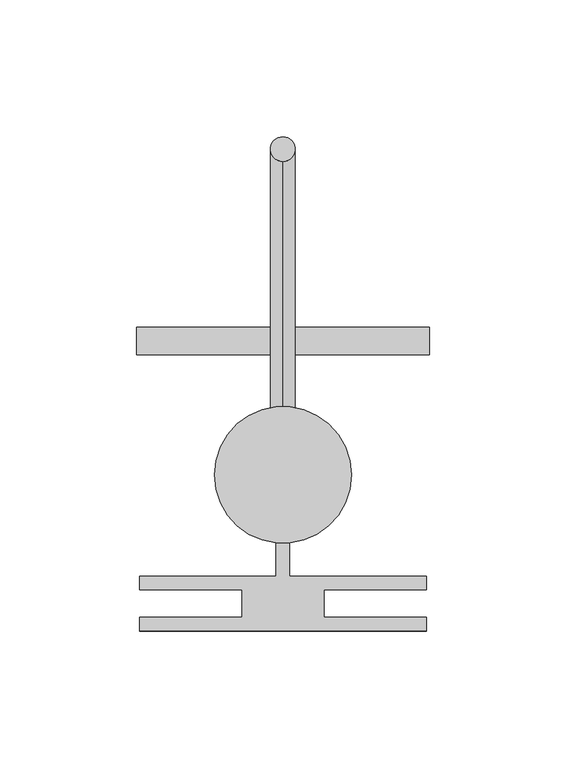
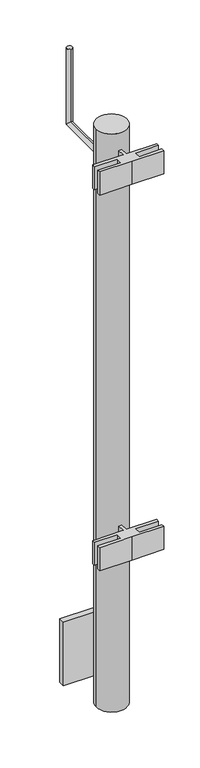
"""IFC4 building model written with IfcOpenShell, lengths in millimetres: proxy geometry."""

from ifc_helpers import new_model, si_unit, point, frame, frame_2d, origin, place, context, project, spatial, polyline, circle_curve, ellipse_curve, trimmed, segment, composite_curve, outline, extrude, source, transform, mapped, element, save
from ifc_brep_helpers import plane_surface, cylinder_surface, advanced_brep


def building_element_proxy_f4cb23bf(model_context):
    return source(origin(), model_context, "Body", "SolidModel", [
        extrude(outline(polyline([(2.4460267, -90.9794473), (52.4327977, -90.9794473), (52.4327977, -95.9794473), (15.0, -95.9794473), (15.0, -105.9794473), (52.4327977, -105.9794473), (52.4327977, -110.9794473), (0.0, -110.9794473), (-52.4327977, -110.9794473), (-52.4327977, -105.9794473), (-15.0, -105.9794473), (-15.0, -95.9794473), (-52.4327977, -95.9794473), (-52.4327977, -90.9794473), (-2.4460267, -90.9794473), (-2.4460267, -78.0), (2.4460267, -78.0), (2.4460267, -90.9794473)])), frame((0.0, 0.0, -130.0), z_axis=(0.0, 0.0, 1.0), x_axis=(1.0, 0.0, 0.0)), (0.0, 0.0, 1.0), 40.0),
        extrude(outline(polyline([(2.4460267, -90.9794473), (52.4327977, -90.9794473), (52.4327977, -95.9794473), (15.0, -95.9794473), (15.0, -105.9794473), (52.4327977, -105.9794473), (52.4327977, -110.9794473), (0.0, -110.9794473), (-52.4327977, -110.9794473), (-52.4327977, -105.9794473), (-15.0, -105.9794473), (-15.0, -95.9794473), (-52.4327977, -95.9794473), (-52.4327977, -90.9794473), (-2.4460267, -90.9794473), (-2.4460267, -78.0), (2.4460267, -78.0), (2.4460267, -90.9794473)])), frame((0.0, 0.0, -780.0), z_axis=(0.0, 0.0, 1.0), x_axis=(1.0, 0.0, 0.0)), (0.0, 0.0, 1.0), 40.0),
        advanced_brep(
        [(0.0, -30.0, -134.9236969), (0.0, -30.0, -125.8825628), (0.0, 69.5205671, -134.9236969), (0.0, 60.4794329, -125.8825628), (0.0, 69.5205671, 0.0), (0.0, 60.4794329, 0.0)],
        [
            (0, 1, circle_curve(frame((0.0, -30.0, -130.4031299), z_axis=(0.0, -1.0, 0.0), x_axis=(0.0, 0.0, 1.0)), 4.5205671)),
            (1, 0, circle_curve(frame((0.0, -30.0, -130.4031299), z_axis=(0.0, -1.0, 0.0), x_axis=(0.0, 0.0, 1.0)), 4.5205671)),
            (0, 2),
            (2, 3, ellipse_curve(frame((0.0, 65.0, -130.4031299), z_axis=(0.0, -0.7071067811865475, -0.7071067811865475), x_axis=(0.0, -0.7071067811865476, 0.7071067811865474)), 6.3930473, 4.5205671)),
            (3, 1),
            (3, 2, ellipse_curve(frame((0.0, 65.0, -130.4031299), z_axis=(0.0, -0.7071067811865475, -0.7071067811865475), x_axis=(0.0, -0.7071067811865476, 0.7071067811865474)), 6.3930473, 4.5205671)),
            (4, 5, circle_curve(frame((0.0, 65.0, 0.0), z_axis=(0.0, 0.0, 1.0), x_axis=(0.0, -1.0, 0.0)), 4.5205671)),
            (5, 4, circle_curve(frame((0.0, 65.0, 0.0), z_axis=(0.0, 0.0, 1.0), x_axis=(0.0, -1.0, 0.0)), 4.5205671)),
            (2, 4),
            (5, 3),
        ],
        [
            plane_surface(frame((0.0, -30.0, -130.4031299), z_axis=(0.0, -1.0, 0.0), x_axis=(1.0, 0.0, 0.0))),
            cylinder_surface(frame((0.0, -30.0, -130.4031299), z_axis=(0.0, -1.0, 0.0), x_axis=(0.0, 0.0, 1.0)), 4.5205671),
            plane_surface(frame((0.0, 65.0, 0.0), z_axis=(0.0, 0.0, 1.0), x_axis=(1.0, 0.0, 0.0))),
            cylinder_surface(frame((0.0, 65.0, -130.4031299), z_axis=(0.0, 0.0, -1.0), x_axis=(0.0, -1.0, 0.0)), 4.5205671),
        ],
        [
            (0, [[1, 2]]),
            (1, [[-1, 3, 4, 5]]),
            (1, [[-2, -5, 6, -3]]),
            (2, [[7, 8]]),
            (3, [[-4, 9, -8, 10]]),
            (3, [[-6, -10, -7, -9]]),
        ],
    ),
        extrude(outline(composite_curve([segment(trimmed(circle_curve(frame_2d((0.0, -54.0)), 25.0), [point((-25.0, -54.0))], [point((25.0, -54.0))], False, "CARTESIAN"), True, "CONTINUOUS"), segment(trimmed(circle_curve(frame_2d((0.0, -54.0)), 25.0), [point((25.0, -54.0))], [point((-25.0, -54.0))], False, "CARTESIAN"), True, "CONTINUOUS")], self_intersect=False)), frame((0.0, 0.0, -1060.0), z_axis=(0.0, 0.0, 1.0), x_axis=(1.0, 0.0, 0.0)), (0.0, 0.0, 1.0), 1000.0),
        extrude(outline(polyline([(3.4956361, -30.0), (-3.4956361, -30.0), (-3.4956361, -10.0), (3.4956361, -10.0), (3.4956361, -30.0)])), frame((0.0, 0.0, -1020.3217206), z_axis=(0.0, 0.0, 1.0), x_axis=(1.0, 0.0, 0.0)), (0.0, 0.0, 1.0), 64.8689383),
        extrude(outline(polyline([(53.4956361, -10.0), (-53.4956361, -10.0), (-53.4956361, 0.0), (53.4956361, 0.0), (53.4956361, -10.0)])), frame((0.0, 0.0, -1040.0), z_axis=(0.0, 0.0, 1.0), x_axis=(1.0, 0.0, 0.0)), (0.0, 0.0, 1.0), 110.0),
    ])


if __name__ == "__main__":
    model = new_model("IFC4")
    model_context = context("Model", 3, world=origin())
    ifc_project = project(units=[si_unit("LENGTHUNIT", "METRE", prefix="MILLI")], contexts=[model_context])
    site = spatial("IfcSite", under=ifc_project)
    building = spatial("IfcBuilding", under=site)
    placement = place(None, origin())
    building_element_proxy_shape = building_element_proxy_f4cb23bf(model_context)
    element("IfcBuildingElementProxy", 1, Name="Building Element Proxy", at=placement, inside=building, context=model_context, shape_type="MappedRepresentation", body=[
        mapped(building_element_proxy_shape, transform((0.0, 0.0, 0.0), x_axis=(1.0, 0.0, 0.0), y_axis=(0.0, 1.0, 0.0), z_axis=(0.0, 0.0, 1.0))),
    ])
    save(model, "model.ifc")
